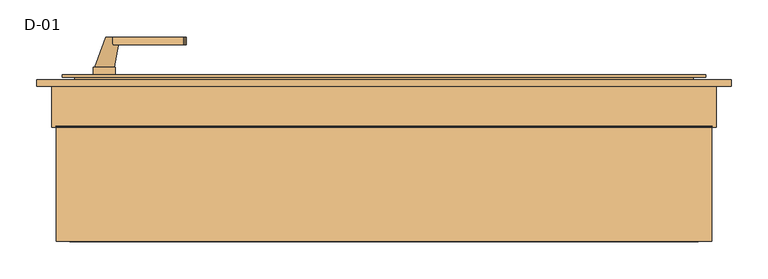
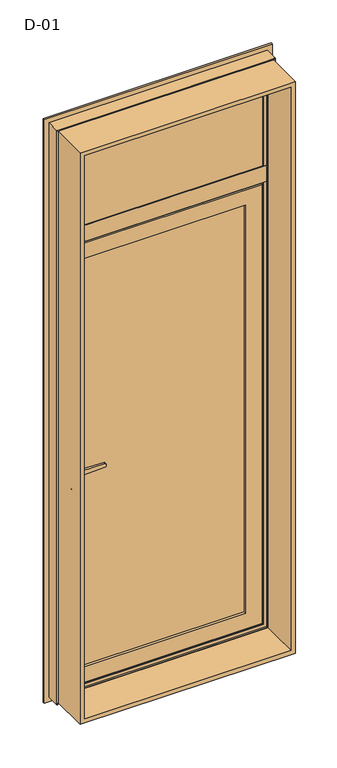
"""IFC4 building model written with IfcOpenShell, lengths in millimetres: door geometry, D-01."""

from ifc_helpers import new_model, si_unit, point, frame, frame_2d, origin, place, context, project, spatial, polyline, circle_curve, ellipse_curve, trimmed, segment, composite_curve, outline, extrude, faceted_brep, source, transform, mapped, element, save
from ifc_brep_helpers import plane_surface, cylinder_surface, revolved_surface, spline_surface, advanced_brep


def d_01_f489883f(model_context):
    return source(origin(), model_context, "Body", "SolidModel", [
        extrude(outline(polyline([(349.0295117, 81.3929004), (-349.0295117, 81.3929004), (-349.0295117, 107.3929004), (349.0295117, 107.3929004), (349.0295117, 81.3929004)])), frame((0.0, 0.0, 101.0), z_axis=(0.0, 0.0, 1.0), x_axis=(1.0, 0.0, 0.0)), (0.0, 0.0, 1.0), 1803.0295117),
        extrude(outline(polyline([(423.0, 74.3927452), (-423.0, 74.3927452), (-423.0, 100.3927452), (423.0, 100.3927452), (423.0, 74.3927452)])), frame((0.0, 0.0, 2022.0), z_axis=(0.0, 0.0, 1.0), x_axis=(1.0, 0.0, 0.0)), (0.0, 0.0, 1.0), 451.0),
        extrude(outline(polyline([(2493.8, 443.8), (2493.8, -443.8), (6.2, -443.8), (6.2, 443.8), (2493.8, 443.8)]), holes=[polyline([(24.7, 425.3), (24.7, -425.3), (2475.3, -425.3), (2475.3, 425.3), (24.7, 425.3)])]), frame((0.0, -100.0, 0.0), z_axis=(0.0, 1.0, 0.0), x_axis=(0.0, 0.0, 1.0)), (0.0, 0.0, 1.0), 165.9999813),
        advanced_brep(
        [(336.0295117, 114.7230026, 1891.0295117), (336.0295117, 114.7230026, 113.9704883), (333.8870152, 107.3929004, 116.1129848), (333.8870152, 107.3929004, 1888.8870152), (356.0295117, 107.3929004, 93.9704883), (356.0295117, 107.3929004, 1911.0295117), (-356.0295117, 107.3929004, 1911.0295117), (-356.0295117, 107.3929004, 93.9704883), (-333.8870152, 107.3929004, 116.1129848), (-333.8870152, 107.3929004, 1888.8870152), (-336.0295117, 114.7230026, 113.9704883), (336.0295117, 126.0000928, 1891.0295117), (336.0295117, 126.0000928, 113.9704883), (-336.0295117, 126.0000928, 113.9704883), (356.0295117, 126.0000928, 1911.0295117), (356.0295117, 126.0000928, 93.9704883), (-356.0295117, 126.0000928, 93.9704883), (-356.0295117, 126.0000928, 1911.0295117), (-336.0295117, 126.0000928, 1891.0295117), (-336.0295117, 114.7230026, 1891.0295117)],
        [
            (0, 1),
            (1, 2, ellipse_curve(frame((316.4221, 116.4758386, 133.5779), z_axis=(-0.7071067811865475, 0.0, -0.7071067811865475), x_axis=(0.7071067811865474, 0.0, -0.7071067811865476)), 27.839649, 19.6856046)),
            (2, 3),
            (3, 0, ellipse_curve(frame((316.4221, 116.4758386, 1871.4221), z_axis=(-0.7071067811865475, 0.0, 0.7071067811865475), x_axis=(-0.7071067811865474, 0.0, -0.7071067811865476)), 27.839649, 19.6856046)),
            (4, 5),
            (5, 6),
            (6, 7),
            (7, 4),
            (2, 8),
            (8, 9),
            (9, 3),
            (1, 10),
            (10, 8, ellipse_curve(frame((-316.4221, 116.4758386, 133.5779), z_axis=(-0.7071067811865475, 0.0, 0.7071067811865475), x_axis=(-0.7071067811865476, 0.0, -0.7071067811865474)), 27.839649, 19.6856046)),
            (11, 12),
            (12, 1),
            (0, 11),
            (12, 13),
            (13, 10),
            (14, 15),
            (15, 16),
            (16, 17),
            (17, 14),
            (11, 18),
            (18, 13),
            (4, 15),
            (14, 5),
            (7, 16),
            (10, 19),
            (19, 9, ellipse_curve(frame((-316.4221, 116.4758386, 1871.4221), z_axis=(0.7071067811865475, 0.0, 0.7071067811865475), x_axis=(-0.7071067811865474, 0.0, 0.7071067811865476)), 27.839649, 19.6856046)),
            (18, 19),
            (6, 17),
            (19, 0),
        ],
        [
            revolved_surface(polyline([(336.1077046, 116.4758386, 113.8922954062466), (336.1077046, 116.4758386, 1891.1077045937534)]), (316.4221, 116.4758386, 1911.0295117), (0.0, 0.0, -1.0)),
            plane_surface(frame((-356.0295117, 107.3929004, 1911.0295117), z_axis=(0.0, -1.0, 0.0), x_axis=(1.0, 0.0, 0.0))),
            revolved_surface(polyline([(-336.10770459375334, 116.4758386, 113.8922954), (336.1077045937533, 116.4758386, 113.8922954)]), (356.0295117, 116.4758386, 133.5779), (-1.0, 0.0, 0.0)),
            plane_surface(frame((336.0295117, 114.7230026, 1891.0295117), z_axis=(-1.0, 0.0, 0.0), x_axis=(0.0, 0.0, -1.0))),
            plane_surface(frame((336.0295117, 114.7230026, 113.9704883), z_axis=(0.0, 0.0, 1.0), x_axis=(-1.0, 0.0, 0.0))),
            plane_surface(frame((-336.0295117, 126.0000928, 1891.0295117), z_axis=(0.0, 1.0, 0.0), x_axis=(1.0, 0.0, 0.0))),
            plane_surface(frame((356.0295117, 126.0000928, 1911.0295117), z_axis=(1.0, 0.0, 0.0), x_axis=(0.0, 0.0, -1.0))),
            plane_surface(frame((356.0295117, 126.0000928, 93.9704883), z_axis=(0.0, 0.0, -1.0), x_axis=(-1.0, 0.0, 0.0))),
            revolved_surface(polyline([(-336.1077046, 116.4758386, 1891.1077045937534), (-336.1077046, 116.4758386, 113.89229540624672)]), (-316.4221, 116.4758386, 93.9704883), (0.0, 0.0, 1.0)),
            plane_surface(frame((-336.0295117, 114.7230026, 113.9704883), z_axis=(1.0, 0.0, 0.0), x_axis=(0.0, 0.0, 1.0))),
            plane_surface(frame((-356.0295117, 126.0000928, 93.9704883), z_axis=(-1.0, 0.0, 0.0), x_axis=(0.0, 0.0, 1.0))),
            revolved_surface(polyline([(336.10770459375334, 116.4758386, 1891.1077046), (-336.1077045937533, 116.4758386, 1891.1077046)]), (-356.0295117, 116.4758386, 1871.4221), (1.0, 0.0, 0.0)),
            plane_surface(frame((-336.0295117, 114.7230026, 1891.0295117), z_axis=(0.0, 0.0, -1.0), x_axis=(1.0, 0.0, 0.0))),
            plane_surface(frame((-356.0295117, 126.0000928, 1911.0295117), z_axis=(0.0, 0.0, 1.0), x_axis=(1.0, 0.0, 0.0))),
        ],
        [
            (0, [[1, 2, 3, 4]]),
            (1, [[5, 6, 7, 8], [-3, 9, 10, 11]]),
            (2, [[12, 13, -9, -2]]),
            (3, [[14, 15, -1, 16]]),
            (4, [[17, 18, -12, -15]]),
            (5, [[19, 20, 21, 22], [-14, 23, 24, -17]]),
            (6, [[-5, 25, -19, 26]]),
            (7, [[-8, 27, -20, -25]]),
            (8, [[28, 29, -10, -13]]),
            (9, [[-24, 30, -28, -18]]),
            (10, [[-7, 31, -21, -27]]),
            (11, [[32, -4, -11, -29]]),
            (12, [[-23, -16, -32, -30]]),
            (13, [[-6, -26, -22, -31]]),
        ],
    ),
        extrude(outline(composite_curve([segment(polyline([(898.2, -373.529519), (910.8261365, -373.529519)]), True, "CONTINUOUS"), segment(trimmed(circle_curve(frame_2d((917.7, -378.529519)), 8.5), [point((910.8261365, -373.529519))], [point((910.8261365, -383.529519))], False, "CARTESIAN"), True, "CONTINUOUS"), segment(polyline([(910.8261365, -383.529519), (898.2, -383.529519)]), True, "CONTINUOUS"), segment(trimmed(circle_curve(frame_2d((898.2, -378.529519)), 5.0), [point((898.2, -383.529519))], [point((898.2, -373.529519))], False, "CARTESIAN"), True, "CONTINUOUS")], self_intersect=False)), frame((0.0, 58.0000848, 0.0), z_axis=(0.0, 1.0, 0.0), x_axis=(0.0, 0.0, 1.0)), (0.0, 0.0, 1.0), 11.0),
        extrude(outline(composite_curve([segment(trimmed(circle_curve(frame_2d((958.6155661, -378.529519)), 97.2636214), [point((862.5, -393.429519))], [point((862.5, -363.629519))], False, "CARTESIAN"), True, "CONTINUOUS"), segment(polyline([(862.5, -363.629519), (1081.0, -363.629519)]), True, "CONTINUOUS"), segment(trimmed(circle_curve(frame_2d((984.8844339, -378.529519)), 97.2636214), [point((1081.0, -363.629519))], [point((1081.0, -393.429519))], False, "CARTESIAN"), True, "CONTINUOUS"), segment(polyline([(1081.0, -393.429519), (862.5, -393.429519)]), True, "CONTINUOUS")], self_intersect=False), holes=[composite_curve([segment(polyline([(898.2, -383.529519), (910.8261365, -383.529519)]), True, "CONTINUOUS"), segment(trimmed(circle_curve(frame_2d((917.7, -378.529519)), 8.5), [point((910.8261365, -383.529519))], [point((910.8261365, -373.529519))], True, "CARTESIAN"), True, "CONTINUOUS"), segment(polyline([(910.8261365, -373.529519), (898.2, -373.529519)]), True, "CONTINUOUS"), segment(trimmed(circle_curve(frame_2d((898.2, -378.529519)), 5.0), [point((898.2, -373.529519))], [point((898.2, -383.529519))], True, "CARTESIAN"), True, "CONTINUOUS")], self_intersect=False)]), frame((0.0, 59.0000848, 0.0), z_axis=(0.0, 1.0, 0.0), x_axis=(0.0, 0.0, 1.0)), (0.0, 0.0, 1.0), 10.0),
        extrude(outline(composite_curve([segment(polyline([(1012.0, -367.529519), (993.0, -367.529519), (995.5308731, -270.8793747)]), True, "CONTINUOUS"), segment(trimmed(circle_curve(frame_2d((997.5301877, -270.9317286)), 2.0), [point((995.5308731, -270.8793747))], [point((997.0125497, -268.9998769))], False, "CARTESIAN"), True, "CONTINUOUS"), segment(polyline([(997.0125497, -268.9998769), (1002.5, -267.529519), (1007.9874503, -268.9998769)]), True, "CONTINUOUS"), segment(trimmed(circle_curve(frame_2d((1007.4698123, -270.9317286)), 2.0), [point((1007.9874503, -268.9998769))], [point((1009.4691269, -270.8793747))], False, "CARTESIAN"), True, "CONTINUOUS"), segment(polyline([(1009.4691269, -270.8793747), (1012.0, -367.529519)]), True, "CONTINUOUS")], self_intersect=False)), frame((0.0, 18.0000848, 0.0), z_axis=(0.0, 1.0, 0.0), x_axis=(0.0, 0.0, 1.0)), (0.0, 0.0, 1.0), 10.0),
        advanced_brep(
        [(-377.029519, 18.0000848, 1002.5), (-358.029519, 18.0000848, 1002.5), (-391.929519, 59.0000848, 1002.5), (-365.129519, 59.0000848, 1002.5)],
        [
            (0, 1, circle_curve(frame((-367.529519, 18.0000848, 1002.5), z_axis=(0.0, -1.0, 0.0), x_axis=(1.0, 0.0, 0.0)), 9.5)),
            (1, 0, circle_curve(frame((-367.529519, 18.0000848, 1002.5), z_axis=(0.0, -1.0, 0.0), x_axis=(1.0, 0.0, 0.0)), 9.5)),
            (2, 3, circle_curve(frame((-378.529519, 59.0000848, 1002.5), z_axis=(0.0, 1.0, 0.0), x_axis=(1.0, 0.0, 0.0)), 13.4)),
            (3, 2, circle_curve(frame((-378.529519, 59.0000848, 1002.5), z_axis=(0.0, 1.0, 0.0), x_axis=(1.0, 0.0, 0.0)), 13.4)),
            (3, 1),
            (0, 2),
        ],
        [
            plane_surface(frame((-367.529519, 18.0000848, 1002.5), z_axis=(0.0, -1.0, 0.0), x_axis=(0.0, 0.0, -1.0))),
            plane_surface(frame((-378.529519, 59.0000848, 1002.5), z_axis=(0.0, 1.0, 0.0), x_axis=(0.0, 0.0, -1.0))),
            spline_surface(2, 1, [[(-391.929519, 59.0000848, 1002.5), (-377.029519, 18.0000848, 1002.5)], [(-391.929519, 59.0000848, 989.0999999999999), (-377.029519, 18.0000848, 993.0)], [(-378.529519, 59.0000848, 989.0999999999999), (-367.529519, 18.0000848, 993.0)], [(-365.12951899999996, 59.0000848, 989.0999999999999), (-358.029519, 18.0000848, 993.0)], [(-365.129519, 59.0000848, 1002.5), (-358.029519, 18.0000848, 1002.5)]], [3, 2, 3], [2, 2], [0.0, 1.0, 2.0], [0.0, 1.0], weights=[[1.0, 1.0], [0.7071067811865476, 0.7071067811865476], [1.0, 1.0], [0.707106781186546, 0.707106781186546], [1.0, 1.0]]),
            spline_surface(2, 1, [[(-365.129519, 59.0000848, 1002.5), (-358.029519, 18.0000848, 1002.5)], [(-365.129519, 59.0000848, 1015.9), (-358.029519, 18.0000848, 1012.0)], [(-378.529519, 59.0000848, 1015.9), (-367.529519, 18.0000848, 1012.0)], [(-391.92951899999997, 59.0000848, 1015.8999999999999), (-377.029519, 18.0000848, 1012.0)], [(-391.929519, 59.0000848, 1002.5), (-377.029519, 18.0000848, 1002.5)]], [3, 2, 3], [2, 2], [0.0, 1.0, 2.0], [0.0, 1.0], weights=[[1.0, 1.0], [0.7071067811865476, 0.7071067811865476], [1.0, 1.0], [0.707106781186549, 0.707106781186549], [1.0, 1.0]]),
        ],
        [
            (0, [[1, 2]]),
            (1, [[3, 4]]),
            (2, [[-4, 5, -1, 6]]),
            (3, [[-3, -6, -2, -5]]),
        ],
    ),
        extrude(outline(composite_curve([segment(polyline([(898.2, -373.529519), (910.8261365, -373.529519)]), True, "CONTINUOUS"), segment(trimmed(circle_curve(frame_2d((917.7, -378.529519)), 8.5), [point((910.8261365, -373.529519))], [point((910.8261365, -383.529519))], False, "CARTESIAN"), True, "CONTINUOUS"), segment(polyline([(910.8261365, -383.529519), (898.2, -383.529519)]), True, "CONTINUOUS"), segment(trimmed(circle_curve(frame_2d((898.2, -378.529519)), 5.0), [point((898.2, -383.529519))], [point((898.2, -373.529519))], False, "CARTESIAN"), True, "CONTINUOUS")], self_intersect=False)), frame((0.0, 126.0000927, 0.0), z_axis=(0.0, 1.0, 0.0), x_axis=(0.0, 0.0, 1.0)), (0.0, 0.0, 1.0), 11.0),
        extrude(outline(composite_curve([segment(trimmed(circle_curve(frame_2d((958.6155661, -378.529519)), 97.2636214), [point((862.5, -393.429519))], [point((862.5, -363.629519))], False, "CARTESIAN"), True, "CONTINUOUS"), segment(polyline([(862.5, -363.629519), (1081.0, -363.629519)]), True, "CONTINUOUS"), segment(trimmed(circle_curve(frame_2d((984.8844339, -378.529519)), 97.2636214), [point((1081.0, -363.629519))], [point((1081.0, -393.429519))], False, "CARTESIAN"), True, "CONTINUOUS"), segment(polyline([(1081.0, -393.429519), (862.5, -393.429519)]), True, "CONTINUOUS")], self_intersect=False), holes=[composite_curve([segment(polyline([(898.2, -383.529519), (910.8261365, -383.529519)]), True, "CONTINUOUS"), segment(trimmed(circle_curve(frame_2d((917.7, -378.529519)), 8.5), [point((910.8261365, -383.529519))], [point((910.8261365, -373.529519))], True, "CARTESIAN"), True, "CONTINUOUS"), segment(polyline([(910.8261365, -373.529519), (898.2, -373.529519)]), True, "CONTINUOUS"), segment(trimmed(circle_curve(frame_2d((898.2, -378.529519)), 5.0), [point((898.2, -373.529519))], [point((898.2, -383.529519))], True, "CARTESIAN"), True, "CONTINUOUS")], self_intersect=False)]), frame((0.0, 126.0000927, 0.0), z_axis=(0.0, 1.0, 0.0), x_axis=(0.0, 0.0, 1.0)), (0.0, 0.0, 1.0), 10.0),
        extrude(outline(composite_curve([segment(polyline([(1012.0, -367.529519), (993.0, -367.529519), (995.5308731, -270.8793747)]), True, "CONTINUOUS"), segment(trimmed(circle_curve(frame_2d((997.5301877, -270.9317286)), 2.0), [point((995.5308731, -270.8793747))], [point((997.0125497, -268.9998769))], False, "CARTESIAN"), True, "CONTINUOUS"), segment(polyline([(997.0125497, -268.9998769), (1002.5, -267.529519), (1007.9874503, -268.9998769)]), True, "CONTINUOUS"), segment(trimmed(circle_curve(frame_2d((1007.4698123, -270.9317286)), 2.0), [point((1007.9874503, -268.9998769))], [point((1009.4691269, -270.8793747))], False, "CARTESIAN"), True, "CONTINUOUS"), segment(polyline([(1009.4691269, -270.8793747), (1012.0, -367.529519)]), True, "CONTINUOUS")], self_intersect=False)), frame((0.0, 167.0000927, 0.0), z_axis=(0.0, 1.0, 0.0), x_axis=(0.0, 0.0, 1.0)), (0.0, 0.0, 1.0), 10.0),
        advanced_brep(
        [(-377.029519, 177.0000927, 1002.5), (-358.029519, 177.0000927, 1002.5), (-391.929519, 136.0000927, 1002.5), (-365.129519, 136.0000927, 1002.5)],
        [
            (0, 1, circle_curve(frame((-367.529519, 177.0000927, 1002.5), z_axis=(0.0, 1.0, 0.0), x_axis=(1.0, 0.0, 0.0)), 9.5)),
            (1, 0, circle_curve(frame((-367.529519, 177.0000927, 1002.5), z_axis=(0.0, 1.0, 0.0), x_axis=(1.0, 0.0, 0.0)), 9.5)),
            (2, 3, circle_curve(frame((-378.529519, 136.0000927, 1002.5), z_axis=(0.0, -1.0, 0.0), x_axis=(1.0, 0.0, 0.0)), 13.4)),
            (3, 2, circle_curve(frame((-378.529519, 136.0000927, 1002.5), z_axis=(0.0, -1.0, 0.0), x_axis=(1.0, 0.0, 0.0)), 13.4)),
            (2, 0),
            (1, 3),
        ],
        [
            plane_surface(frame((-367.529519, 177.0000927, 1002.5), z_axis=(0.0, 1.0, 0.0), x_axis=(0.0, 0.0, -1.0))),
            plane_surface(frame((-378.529519, 136.0000927, 1002.5), z_axis=(0.0, -1.0, 0.0), x_axis=(0.0, 0.0, -1.0))),
            spline_surface(1, 2, [[(-391.929519, 136.0000927, 1002.5), (-391.929519, 136.0000927, 989.0999999999999), (-378.529519, 136.0000927, 989.0999999999999), (-365.12951899999996, 136.0000927, 989.0999999999999), (-365.129519, 136.0000927, 1002.5)], [(-377.029519, 177.0000927, 1002.5), (-377.029519, 177.0000927, 993.0), (-367.529519, 177.0000927, 993.0), (-358.029519, 177.0000927, 993.0), (-358.029519, 177.0000927, 1002.5)]], [2, 2], [3, 2, 3], [0.0, 1.0], [0.0, 1.0, 2.0], weights=[[1.0, 0.7071067811865476, 1.0, 0.707106781186546, 1.0], [1.0, 0.7071067811865476, 1.0, 0.707106781186546, 1.0]]),
            spline_surface(1, 2, [[(-365.129519, 136.0000927, 1002.5), (-365.129519, 136.0000927, 1015.9), (-378.529519, 136.0000927, 1015.9), (-391.92951899999997, 136.0000927, 1015.8999999999999), (-391.929519, 136.0000927, 1002.5)], [(-358.029519, 177.0000927, 1002.5), (-358.029519, 177.0000927, 1012.0), (-367.529519, 177.0000927, 1012.0), (-377.029519, 177.0000927, 1012.0), (-377.029519, 177.0000927, 1002.5)]], [2, 2], [3, 2, 3], [0.0, 1.0], [0.0, 1.0, 2.0], weights=[[1.0, 0.7071067811865476, 1.0, 0.707106781186549, 1.0], [1.0, 0.7071067811865476, 1.0, 0.707106781186549, 1.0]]),
        ],
        [
            (0, [[1, 2]]),
            (1, [[3, 4]]),
            (2, [[5, -2, 6, -3]]),
            (3, [[-6, -1, -5, -4]]),
        ],
    ),
        faceted_brep([(436.029509, 122.4000726, 1991.029509), (436.029509, 122.4000726, 13.970491), (436.029509, 126.0000927, 13.970491), (436.029509, 126.0000927, 1991.029509), (-436.029509, 126.0000927, 1991.029509), (-436.029509, 126.0000927, 13.970491), (356.0295117, 126.0000927, 1911.0295117), (-356.0295117, 126.0000927, 1911.0295117), (-356.0295117, 126.0000927, 93.9704883), (356.0295117, 126.0000927, 93.9704883), (-436.029509, 122.4000726, 13.970491), (-436.029509, 122.4000726, 1991.029509), (-418.529519, 122.4000726, 1973.529519), (418.529519, 122.4000726, 1973.529519), (418.529519, 122.4000726, 31.470481), (-418.529519, 122.4000726, 31.470481), (418.529519, 75.9989223, 1973.529519), (418.529519, 75.9989223, 31.470481), (-418.529519, 75.9989223, 31.470481), (-418.529519, 75.9989223, 1973.529519), (-403.0352158, 75.9989223, 1958.0352158), (403.0352158, 75.9989223, 1958.0352158), (403.0352158, 75.9989223, 46.9647842), (-403.0352158, 75.9989223, 46.9647842), (403.0352158, 69.0000848, 1958.0352158), (403.0352158, 69.0000848, 46.9647842), (-403.0352158, 69.0000848, 46.9647842), (-403.0352158, 69.0000848, 1958.0352158), (-336.0300864, 69.0000848, 1891.0300864), (336.0300864, 69.0000848, 1891.0300864), (336.0300864, 69.0000848, 113.9699136), (-336.0300864, 69.0000848, 113.9699136), (336.0300864, 79.598921, 1891.0300864), (336.0300864, 79.598921, 113.9699136), (-336.0300864, 79.598921, 113.9699136), (-356.0295117, 79.598921, 1911.0295117), (356.0295117, 79.598921, 1911.0295117), (356.0295117, 79.598921, 93.9704883), (-356.0295117, 79.598921, 93.9704883), (-336.0300864, 79.598921, 1891.0300864)], [[[0, 1, 2, 3]], [[4, 3, 2, 5], [6, 7, 8, 9]], [[1, 10, 5, 2]], [[0, 11, 10, 1], [12, 13, 14, 15]], [[16, 17, 14, 13]], [[17, 18, 15, 14]], [[16, 19, 18, 17], [20, 21, 22, 23]], [[24, 25, 22, 21]], [[25, 26, 23, 22]], [[24, 27, 26, 25], [28, 29, 30, 31]], [[32, 33, 30, 29]], [[33, 34, 31, 30]], [[35, 36, 37, 38], [32, 39, 34, 33]], [[6, 9, 37, 36]], [[9, 8, 38, 37]], [[10, 11, 4, 5]], [[18, 19, 12, 15]], [[26, 27, 20, 23]], [[34, 39, 28, 31]], [[8, 7, 35, 38]], [[11, 0, 3, 4]], [[19, 16, 13, 12]], [[27, 24, 21, 20]], [[39, 32, 29, 28]], [[7, 6, 36, 35]]]),
        advanced_brep(
        [(410.0, 107.7228474, 2460.0), (410.0, 107.7228474, 2035.0), (407.8575034, 100.3927452, 2037.1424966), (407.8575034, 100.3927452, 2457.8575034), (430.0, 100.3927452, 2015.0), (430.0, 100.3927452, 2480.0), (-430.0, 100.3927452, 2480.0), (-430.0, 100.3927452, 2015.0), (-407.8575034, 100.3927452, 2037.1424966), (-407.8575034, 100.3927452, 2457.8575034), (-410.0, 107.7228474, 2035.0), (410.0, 118.9999377, 2460.0), (410.0, 118.9999377, 2035.0), (-410.0, 118.9999377, 2035.0), (430.0, 118.9999377, 2480.0), (430.0, 118.9999377, 2015.0), (-430.0, 118.9999377, 2015.0), (-430.0, 118.9999377, 2480.0), (-410.0, 118.9999377, 2460.0), (-410.0, 107.7228474, 2460.0)],
        [
            (0, 1),
            (1, 2, ellipse_curve(frame((390.3925883, 109.4756835, 2054.6074117), z_axis=(-0.7071067811865475, 0.0, -0.7071067811865475), x_axis=(0.7071067811865474, 0.0, -0.7071067811865476)), 27.839649, 19.6856046)),
            (2, 3),
            (3, 0, ellipse_curve(frame((390.3925883, 109.4756835, 2440.3925883), z_axis=(-0.7071067811865475, 0.0, 0.7071067811865475), x_axis=(-0.7071067811865474, 0.0, -0.7071067811865476)), 27.839649, 19.6856046)),
            (4, 5),
            (5, 6),
            (6, 7),
            (7, 4),
            (2, 8),
            (8, 9),
            (9, 3),
            (1, 10),
            (10, 8, ellipse_curve(frame((-390.3925883, 109.4756835, 2054.6074117), z_axis=(-0.7071067811865475, 0.0, 0.7071067811865475), x_axis=(-0.7071067811865476, 0.0, -0.7071067811865474)), 27.839649, 19.6856046)),
            (11, 12),
            (12, 1),
            (0, 11),
            (12, 13),
            (13, 10),
            (14, 15),
            (15, 16),
            (16, 17),
            (17, 14),
            (11, 18),
            (18, 13),
            (4, 15),
            (14, 5),
            (7, 16),
            (10, 19),
            (19, 9, ellipse_curve(frame((-390.3925883, 109.4756835, 2440.3925883), z_axis=(0.7071067811865475, 0.0, 0.7071067811865475), x_axis=(-0.7071067811865474, 0.0, 0.7071067811865476)), 27.839649, 19.6856046)),
            (18, 19),
            (6, 17),
            (19, 0),
        ],
        [
            revolved_surface(polyline([(410.0781929, 109.4756835, 2034.9218071062464), (410.0781929, 109.4756835, 2460.0781928937536)]), (390.3925883, 109.4756835, 2480.0), (0.0, 0.0, -1.0)),
            plane_surface(frame((-430.0, 100.3927452, 2480.0), z_axis=(0.0, -1.0, 0.0), x_axis=(1.0, 0.0, 0.0))),
            revolved_surface(polyline([(-410.0781928937532, 109.4756835, 2034.9218070999998), (410.0781928937533, 109.4756835, 2034.9218070999998)]), (430.0, 109.4756835, 2054.6074117), (-1.0, 0.0, 0.0)),
            plane_surface(frame((410.0, 107.7228474, 2460.0), z_axis=(-1.0, 0.0, 0.0), x_axis=(0.0, 0.0, -1.0))),
            plane_surface(frame((410.0, 107.7228474, 2035.0), z_axis=(0.0, 0.0, 1.0), x_axis=(-1.0, 0.0, 0.0))),
            plane_surface(frame((-410.0, 118.9999377, 2460.0), z_axis=(0.0, 1.0, 0.0), x_axis=(1.0, 0.0, 0.0))),
            plane_surface(frame((430.0, 118.9999377, 2480.0), z_axis=(1.0, 0.0, 0.0), x_axis=(0.0, 0.0, -1.0))),
            plane_surface(frame((430.0, 118.9999377, 2015.0), z_axis=(0.0, 0.0, -1.0), x_axis=(-1.0, 0.0, 0.0))),
            revolved_surface(polyline([(-410.0781929, 109.4756835, 2460.0781928937536), (-410.0781929, 109.4756835, 2034.9218071062464)]), (-390.3925883, 109.4756835, 2015.0), (0.0, 0.0, 1.0)),
            plane_surface(frame((-410.0, 107.7228474, 2035.0), z_axis=(1.0, 0.0, 0.0), x_axis=(0.0, 0.0, 1.0))),
            plane_surface(frame((-430.0, 118.9999377, 2015.0), z_axis=(-1.0, 0.0, 0.0), x_axis=(0.0, 0.0, 1.0))),
            revolved_surface(polyline([(410.0781928937532, 109.4756835, 2460.0781929), (-410.0781928937533, 109.4756835, 2460.0781929)]), (-430.0, 109.4756835, 2440.3925883), (1.0, 0.0, 0.0)),
            plane_surface(frame((-410.0, 107.7228474, 2460.0), z_axis=(0.0, 0.0, -1.0), x_axis=(1.0, 0.0, 0.0))),
            plane_surface(frame((-430.0, 118.9999377, 2480.0), z_axis=(0.0, 0.0, 1.0), x_axis=(1.0, 0.0, 0.0))),
        ],
        [
            (0, [[1, 2, 3, 4]]),
            (1, [[5, 6, 7, 8], [-3, 9, 10, 11]]),
            (2, [[12, 13, -9, -2]]),
            (3, [[14, 15, -1, 16]]),
            (4, [[17, 18, -12, -15]]),
            (5, [[19, 20, 21, 22], [-14, 23, 24, -17]]),
            (6, [[-5, 25, -19, 26]]),
            (7, [[-8, 27, -20, -25]]),
            (8, [[28, 29, -10, -13]]),
            (9, [[-24, 30, -28, -18]]),
            (10, [[-7, 31, -21, -27]]),
            (11, [[32, -4, -11, -29]]),
            (12, [[-23, -16, -32, -30]]),
            (13, [[-6, -26, -22, -31]]),
        ],
    ),
        extrude(outline(polyline([(68.9990172, 2035.0000348), (72.5990172, 2035.0000348), (72.5990172, 2015.0000187), (118.9999375, 2015.0000187), (118.9999375, 1984.9999813), (72.5990172, 1984.9999813), (72.5990172, 1964.9999974), (68.9990172, 1964.9999974), (68.9990172, 2035.0000348)])), frame((-430.0, 0.0, 0.0), z_axis=(1.0, 0.0, 0.0), x_axis=(0.0, 1.0, 0.0)), (0.0, 0.0, 1.0), 860.0),
        advanced_brep(
        [(470.000038, 110.0, 2520.000038), (470.000038, 110.0, -20.000038), (470.000038, 118.9999375, -20.000038), (470.000038, 118.9999375, 2520.000038), (-470.000038, 118.9999375, 2520.000038), (-470.000038, 118.9999375, -20.000038), (430.0000396, 118.9999375, 2480.0000396), (-430.0000396, 118.9999375, 2480.0000396), (-430.0000396, 118.9999375, 19.9999604), (430.0000396, 118.9999375, 19.9999604), (-470.000038, 110.0, -20.000038), (-470.000038, 110.0, 2520.000038), (-450.0, 110.0, 2500.0), (450.0, 110.0, 2500.0), (450.0, 110.0, 0.0), (-450.0, 110.0, 0.0), (450.0, 54.8507969, 2500.0), (450.0, 54.8507969, 0.0), (-450.0, 54.8507969, 0.0), (445.0001465, 54.8506112, 2495.0001465), (445.0001465, 54.8506112, 4.9998535), (-445.0001465, 54.8506112, 4.9998535), (445.0001465, 56.5920405, 2495.0001465), (445.0001465, 56.5920405, 4.9998535), (-445.0001465, 56.5920405, 4.9998535), (443.8001794, 56.5908144, 2493.8001794), (443.8001794, 56.5908144, 6.1998206), (-443.8001794, 56.5908144, 6.1998206), (443.8001794, 65.9999813, 2493.8001794), (443.8001794, 65.9999813, 6.1998206), (-443.8001794, 65.9999813, 6.1998206), (-443.8001794, 65.9999813, 2493.8001794), (-424.2001794, 65.9999813, 2474.2001794), (424.2001794, 65.9999813, 2474.2001794), (424.2001794, 65.9999813, 25.7998206), (-424.2001794, 65.9999813, 25.7998206), (424.2001794, 61.9999728, 2474.2001794), (424.2001794, 61.9999728, 25.7998206), (-424.2001794, 61.9999728, 25.7998206), (-424.2001794, 61.9999728, 2474.2001794), (-422.6156704, 61.9999728, 2472.6156704), (422.6156704, 61.9999728, 2472.6156704), (422.6156704, 61.9999728, 27.3843296), (-422.6156704, 61.9999728, 27.3843296), (422.8755675, 68.9999299, 2472.8755675), (422.8755675, 68.9999299, 27.1244325), (-422.8755675, 68.9999299, 27.1244325), (-422.8755675, 68.9999299, 2472.8755675), (-410.0002274, 68.9999299, 2460.0002274), (410.0002274, 68.9999299, 2460.0002274), (410.0002274, 68.9999299, 39.9997726), (-410.0002274, 68.9999299, 39.9997726), (410.0002274, 72.5999758, 2460.0002274), (410.0002274, 72.5999758, 39.9997726), (-410.0002274, 72.5999758, 39.9997726), (-430.0000396, 72.5999758, 2480.0000396), (430.0000396, 72.5999758, 2480.0000396), (430.0000396, 72.5999758, 19.9999604), (-430.0000396, 72.5999758, 19.9999604), (-410.0002274, 72.5999758, 2460.0002274), (-450.0, 54.8507969, 2500.0), (-445.0001465, 54.8506112, 2495.0001465), (-445.0001465, 56.5920405, 2495.0001465), (-443.8001794, 56.5908144, 2493.8001794)],
        [
            (0, 1),
            (1, 2),
            (2, 3),
            (3, 0),
            (4, 3),
            (2, 5),
            (5, 4),
            (6, 7),
            (7, 8),
            (8, 9),
            (9, 6),
            (1, 10),
            (10, 5),
            (0, 11),
            (11, 10),
            (12, 13),
            (13, 14),
            (14, 15),
            (15, 12),
            (16, 17),
            (17, 14),
            (13, 16),
            (17, 18),
            (18, 15),
            (19, 20),
            (20, 17, ellipse_curve(frame((447.5001465, 52.8785929, 2.4998535), z_axis=(-0.7071067811865475, 0.0, -0.7071067811865475), x_axis=(0.7071067811865474, 0.0, -0.7071067811865476)), 4.5030781, 3.184157)),
            (16, 19, ellipse_curve(frame((447.5001465, 52.8785929, 2497.5001465), z_axis=(-0.7071067811865475, 0.0, 0.7071067811865475), x_axis=(-0.7071067811865474, 0.0, -0.7071067811865476)), 4.5030781, 3.184157)),
            (20, 21),
            (21, 18, ellipse_curve(frame((-447.5001465, 52.8785929, 2.4998535), z_axis=(-0.7071067811865475, 0.0, 0.7071067811865475), x_axis=(-0.7071067811865476, 0.0, -0.7071067811865474)), 4.5030781, 3.184157)),
            (22, 23),
            (23, 20),
            (19, 22),
            (23, 24),
            (24, 21),
            (25, 26),
            (26, 23, ellipse_curve(frame((444.4001534, 56.6007652, 5.5998466), z_axis=(0.7071067811865475, 0.0, 0.7071067811865475), x_axis=(-0.7071067811865474, 0.0, 0.7071067811865476)), 0.8486081, 0.6000566)),
            (22, 25, ellipse_curve(frame((444.4001534, 56.6007652, 2494.4001534), z_axis=(0.7071067811865475, 0.0, -0.7071067811865475), x_axis=(0.7071067811865474, 0.0, 0.7071067811865476)), 0.8486081, 0.6000566)),
            (26, 27),
            (27, 24, ellipse_curve(frame((-444.4001534, 56.6007652, 5.5998466), z_axis=(0.7071067811865475, 0.0, -0.7071067811865475), x_axis=(0.7071067811865476, 0.0, 0.7071067811865474)), 0.8486081, 0.6000566)),
            (28, 29),
            (29, 26),
            (25, 28),
            (29, 30),
            (30, 27),
            (28, 31),
            (31, 30),
            (32, 33),
            (33, 34),
            (34, 35),
            (35, 32),
            (36, 37),
            (37, 34),
            (33, 36),
            (37, 38),
            (38, 35),
            (36, 39),
            (39, 38),
            (40, 41),
            (41, 42),
            (42, 43),
            (43, 40),
            (44, 45),
            (45, 42),
            (41, 44),
            (45, 46),
            (46, 43),
            (44, 47),
            (47, 46),
            (48, 49),
            (49, 50),
            (50, 51),
            (51, 48),
            (52, 53),
            (53, 50),
            (49, 52),
            (53, 54),
            (54, 51),
            (55, 56),
            (56, 57),
            (57, 58),
            (58, 55),
            (52, 59),
            (59, 54),
            (9, 57),
            (56, 6),
            (8, 58),
            (11, 4),
            (18, 60),
            (60, 12),
            (21, 61),
            (61, 60, ellipse_curve(frame((-447.5001465, 52.8785929, 2497.5001465), z_axis=(0.7071067811865475, 0.0, 0.7071067811865475), x_axis=(-0.7071067811865474, 0.0, 0.7071067811865476)), 4.5030781, 3.184157)),
            (24, 62),
            (62, 61),
            (27, 63),
            (63, 62, ellipse_curve(frame((-444.4001534, 56.6007652, 2494.4001534), z_axis=(-0.7071067811865475, 0.0, -0.7071067811865475), x_axis=(0.7071067811865474, 0.0, -0.7071067811865476)), 0.8486081, 0.6000566)),
            (31, 63),
            (39, 32),
            (47, 40),
            (59, 48),
            (7, 55),
            (60, 16),
            (61, 19),
            (62, 22),
            (63, 25),
        ],
        [
            plane_surface(frame((470.000038, 118.9999375, 2520.000038), z_axis=(1.0, 0.0, 0.0), x_axis=(0.0, 0.0, -1.0))),
            plane_surface(frame((-430.0000396, 118.9999375, 19.9999604), z_axis=(0.0, 1.0, 0.0), x_axis=(0.0, 0.0, 1.0))),
            plane_surface(frame((470.000038, 118.9999375, -20.000038), z_axis=(0.0, 0.0, -1.0), x_axis=(-1.0, 0.0, 0.0))),
            plane_surface(frame((-470.000038, 110.0, -20.000038), z_axis=(0.0, -1.0, 0.0), x_axis=(0.0, 0.0, 1.0))),
            plane_surface(frame((450.0, 110.0, 2500.0), z_axis=(1.0, 0.0, 0.0), x_axis=(0.0, 0.0, -1.0))),
            plane_surface(frame((450.0, 110.0, 0.0), z_axis=(0.0, 0.0, -1.0), x_axis=(-1.0, 0.0, 0.0))),
            revolved_surface(polyline([(450.68430350000006, 52.8785929, -0.6843035607225829), (450.68430350000006, 52.8785929, 2500.6843035607226)]), (447.5001465, 52.8785929, 2500.0), (0.0, 0.0, -1.0)),
            revolved_surface(polyline([(-450.6843035607227, 52.8785929, -0.6843035), (450.68430356072264, 52.8785929, -0.6843035)]), (450.0, 52.8785929, 2.4998535), (-1.0, 0.0, 0.0)),
            plane_surface(frame((445.0001465, 54.8506112, 2495.0001465), z_axis=(-1.0, 0.0, 0.0), x_axis=(0.0, 0.0, -1.0))),
            plane_surface(frame((445.0001465, 54.8506112, 4.9998535), z_axis=(0.0, 0.0, 1.0), x_axis=(-1.0, 0.0, 0.0))),
            cylinder_surface(frame((444.4001534, 56.6007652, 2500.0), z_axis=(0.0, 0.0, 1.0), x_axis=(1.0, 0.0, 0.0)), 0.6000566),
            cylinder_surface(frame((450.0, 56.6007652, 5.5998466), z_axis=(1.0, 0.0, 0.0), x_axis=(0.0, 0.0, -1.0)), 0.6000566),
            plane_surface(frame((443.8001794, 56.5908144, 2493.8001794), z_axis=(-1.0, 0.0, 0.0), x_axis=(0.0, 0.0, -1.0))),
            plane_surface(frame((443.8001794, 56.5908144, 6.1998206), z_axis=(0.0, 0.0, 1.0), x_axis=(-1.0, 0.0, 0.0))),
            plane_surface(frame((-443.8001794, 65.9999813, 6.1998206), z_axis=(0.0, -1.0, 0.0), x_axis=(0.0, 0.0, 1.0))),
            plane_surface(frame((424.2001794, 65.9999813, 2474.2001794), z_axis=(1.0, 0.0, 0.0), x_axis=(0.0, 0.0, -1.0))),
            plane_surface(frame((424.2001794, 65.9999813, 25.7998206), z_axis=(0.0, 0.0, -1.0), x_axis=(-1.0, 0.0, 0.0))),
            plane_surface(frame((-424.2001794, 61.9999728, 25.7998206), z_axis=(0.0, -1.0, 0.0), x_axis=(0.0, 0.0, 1.0))),
            plane_surface(frame((422.6156704, 61.9999728, 2472.6156704), z_axis=(-0.9993114533203381, 0.0371028201460986, 0.0), x_axis=(0.0, 0.0, -1.0))),
            plane_surface(frame((422.6156704, 61.9999728, 27.3843296), z_axis=(0.0, 0.03710282014609248, 0.9993114533203383), x_axis=(-1.0, 0.0, 0.0))),
            plane_surface(frame((-422.8755675, 68.9999299, 27.1244325), z_axis=(0.0, -1.0, 0.0), x_axis=(0.0, 0.0, 1.0))),
            plane_surface(frame((410.0002274, 68.9999299, 2460.0002274), z_axis=(-1.0, 0.0, 0.0), x_axis=(0.0, 0.0, -1.0))),
            plane_surface(frame((410.0002274, 68.9999299, 39.9997726), z_axis=(0.0, 0.0, 1.0), x_axis=(-1.0, 0.0, 0.0))),
            plane_surface(frame((-410.0002274, 72.5999758, 39.9997726), z_axis=(0.0, 1.0, 0.0), x_axis=(0.0, 0.0, 1.0))),
            plane_surface(frame((430.0000396, 72.5999758, 2480.0000396), z_axis=(-1.0, 0.0, 0.0), x_axis=(0.0, 0.0, -1.0))),
            plane_surface(frame((430.0000396, 72.5999758, 19.9999604), z_axis=(0.0, 0.0, 1.0), x_axis=(-1.0, 0.0, 0.0))),
            plane_surface(frame((-470.000038, 118.9999375, -20.000038), z_axis=(-1.0, 0.0, 0.0), x_axis=(0.0, 0.0, 1.0))),
            plane_surface(frame((-450.0, 110.0, 0.0), z_axis=(-1.0, 0.0, 0.0), x_axis=(0.0, 0.0, 1.0))),
            revolved_surface(polyline([(-450.68430350000006, 52.8785929, 2500.6843035607226), (-450.68430350000006, 52.8785929, -0.6843035607226331)]), (-447.5001465, 52.8785929, 0.0), (0.0, 0.0, 1.0)),
            plane_surface(frame((-445.0001465, 54.8506112, 4.9998535), z_axis=(1.0, 0.0, 0.0), x_axis=(0.0, 0.0, 1.0))),
            cylinder_surface(frame((-444.4001534, 56.6007652, 0.0), z_axis=(0.0, 0.0, -1.0), x_axis=(-1.0, 0.0, 0.0)), 0.6000566),
            plane_surface(frame((-443.8001794, 56.5908144, 6.1998206), z_axis=(1.0, 0.0, 0.0), x_axis=(0.0, 0.0, 1.0))),
            plane_surface(frame((-424.2001794, 65.9999813, 25.7998206), z_axis=(-1.0, 0.0, 0.0), x_axis=(0.0, 0.0, 1.0))),
            plane_surface(frame((-422.6156704, 61.9999728, 27.3843296), z_axis=(0.9993114533203385, 0.03710282014608636, 0.0), x_axis=(0.0, 0.0, 1.0))),
            plane_surface(frame((-410.0002274, 68.9999299, 39.9997726), z_axis=(1.0, 0.0, 0.0), x_axis=(0.0, 0.0, 1.0))),
            plane_surface(frame((-430.0000396, 72.5999758, 19.9999604), z_axis=(1.0, 0.0, 0.0), x_axis=(0.0, 0.0, 1.0))),
            plane_surface(frame((-470.000038, 118.9999375, 2520.000038), z_axis=(0.0, 0.0, 1.0), x_axis=(1.0, 0.0, 0.0))),
            plane_surface(frame((-450.0, 110.0, 2500.0), z_axis=(0.0, 0.0, 1.0), x_axis=(1.0, 0.0, 0.0))),
            revolved_surface(polyline([(450.6843035607227, 52.8785929, 2500.6843035), (-450.68430356072264, 52.8785929, 2500.6843035)]), (-450.0, 52.8785929, 2497.5001465), (1.0, 0.0, 0.0)),
            plane_surface(frame((-445.0001465, 54.8506112, 2495.0001465), z_axis=(0.0, 0.0, -1.0), x_axis=(1.0, 0.0, 0.0))),
            cylinder_surface(frame((-450.0, 56.6007652, 2494.4001534), z_axis=(-1.0, 0.0, 0.0), x_axis=(0.0, 0.0, 1.0)), 0.6000566),
            plane_surface(frame((-443.8001794, 56.5908144, 2493.8001794), z_axis=(0.0, 0.0, -1.0), x_axis=(1.0, 0.0, 0.0))),
            plane_surface(frame((-424.2001794, 65.9999813, 2474.2001794), z_axis=(0.0, 0.0, 1.0), x_axis=(1.0, 0.0, 0.0))),
            plane_surface(frame((-422.6156704, 61.9999728, 2472.6156704), z_axis=(0.0, 0.03710282014609248, -0.9993114533203383), x_axis=(1.0, 0.0, 0.0))),
            plane_surface(frame((-410.0002274, 68.9999299, 2460.0002274), z_axis=(0.0, 0.0, -1.0), x_axis=(1.0, 0.0, 0.0))),
            plane_surface(frame((-430.0000396, 72.5999758, 2480.0000396), z_axis=(0.0, 0.0, -1.0), x_axis=(1.0, 0.0, 0.0))),
        ],
        [
            (0, [[1, 2, 3, 4]]),
            (1, [[5, -3, 6, 7], [8, 9, 10, 11]]),
            (2, [[12, 13, -6, -2]]),
            (3, [[14, 15, -12, -1], [16, 17, 18, 19]]),
            (4, [[20, 21, -17, 22]]),
            (5, [[23, 24, -18, -21]]),
            (6, [[25, 26, -20, 27]]),
            (7, [[28, 29, -23, -26]]),
            (8, [[30, 31, -25, 32]]),
            (9, [[33, 34, -28, -31]]),
            (10, [[35, 36, -30, 37]]),
            (11, [[38, 39, -33, -36]]),
            (12, [[40, 41, -35, 42]]),
            (13, [[43, 44, -38, -41]]),
            (14, [[45, 46, -43, -40], [47, 48, 49, 50]]),
            (15, [[51, 52, -48, 53]]),
            (16, [[54, 55, -49, -52]]),
            (17, [[56, 57, -54, -51], [58, 59, 60, 61]]),
            (18, [[62, 63, -59, 64]]),
            (19, [[65, 66, -60, -63]]),
            (20, [[67, 68, -65, -62], [69, 70, 71, 72]]),
            (21, [[73, 74, -70, 75]]),
            (22, [[76, 77, -71, -74]]),
            (23, [[78, 79, 80, 81], [82, 83, -76, -73]]),
            (24, [[-11, 84, -79, 85]]),
            (25, [[-10, 86, -80, -84]]),
            (26, [[-15, 87, -7, -13]]),
            (27, [[88, 89, -19, -24]]),
            (28, [[90, 91, -88, -29]]),
            (29, [[92, 93, -90, -34]]),
            (30, [[94, 95, -92, -39]]),
            (31, [[-46, 96, -94, -44]]),
            (32, [[-57, 97, -50, -55]]),
            (33, [[-68, 98, -61, -66]]),
            (34, [[-83, 99, -72, -77]]),
            (35, [[-9, 100, -81, -86]]),
            (36, [[-14, -4, -5, -87]]),
            (37, [[101, -22, -16, -89]]),
            (38, [[102, -27, -101, -91]]),
            (39, [[103, -32, -102, -93]]),
            (40, [[104, -37, -103, -95]]),
            (41, [[-45, -42, -104, -96]]),
            (42, [[-56, -53, -47, -97]]),
            (43, [[-67, -64, -58, -98]]),
            (44, [[-82, -75, -69, -99]]),
            (45, [[-8, -85, -78, -100]]),
        ],
    ),
    ])


if __name__ == "__main__":
    model = new_model("IFC4")
    model_context = context("Model", 3, world=origin())
    ifc_project = project(units=[si_unit("LENGTHUNIT", "METRE", prefix="MILLI")], contexts=[model_context])
    site = spatial("IfcSite", under=ifc_project)
    building = spatial("IfcBuilding", under=site)
    placement = place(None, origin())
    d_01_shape = d_01_f489883f(model_context)
    element("IfcDoor", 1, ObjectType="D-01", at=placement, inside=building, context=model_context, shape_type="MappedRepresentation", body=[
        mapped(d_01_shape, transform((0.0, 0.0, 0.0), x_axis=(1.0, 0.0, 0.0), y_axis=(0.0, 1.0, 0.0), z_axis=(0.0, 0.0, 1.0))),
    ])
    save(model, "model.ifc")
